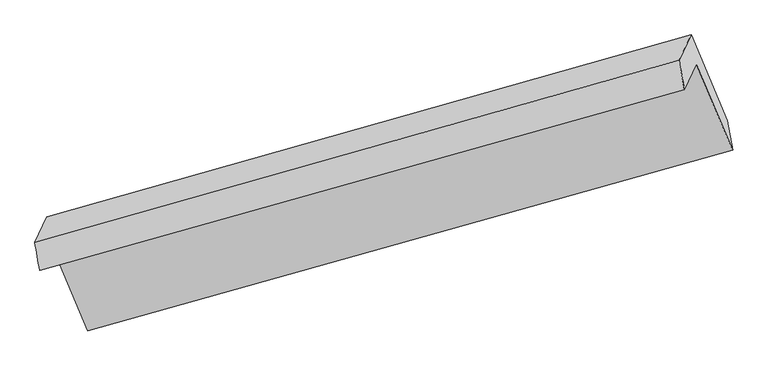
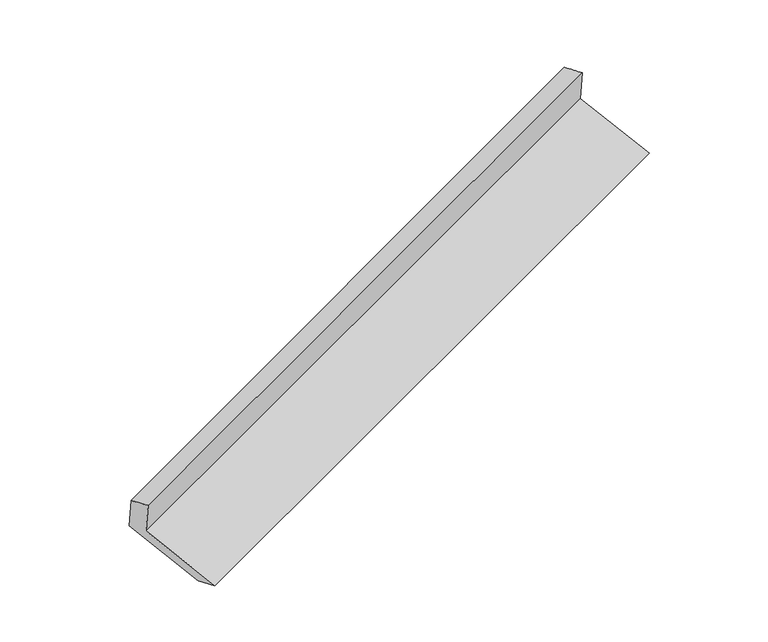
"""IFC4 building model written with IfcOpenShell, lengths in millimetres: proxy geometry."""

import ifcopenshell
import ifcopenshell.guid

model = None  # the IFC model being written
_history = None  # IfcOwnerHistory: only IFC2X3 demands one
_inside = {}  # id of a spatial element -> (the spatial element, [elements in it])
_under = {}  # id of a project, library or spatial element -> (it, [spatial elements below it])
_declared = {}  # id of a project -> (the project, [libraries it declares])
_typed = {}  # id of a type object -> (the type object, [elements of that type])
_made_of = {}  # id of a material, layer set ... -> (it, [elements and type objects made of it])


def new_model(schema):
    """Start an empty IFC model of exactly this schema.

    Asked for "IFC4X3", IfcOpenShell would pick the latest addendum, in which some entities
    have other attributes; the version numbers below select the first issue.
    IFC2X3 requires an IfcOwnerHistory on every rooted entity: one is made here for all.
    """
    global model, _history
    if schema == "IFC4X3":
        model = ifcopenshell.file(schema_version=(4, 3, 0, 0))
    else:
        model = ifcopenshell.file(schema=schema)
    _inside.clear()
    _under.clear()
    _declared.clear()
    _typed.clear()
    _made_of.clear()
    _history = None
    if model.schema == "IFC2X3":
        org = make("IfcOrganization", Name="unknown")
        user = make(
            "IfcPersonAndOrganization",
            ThePerson=make("IfcPerson", FamilyName="unknown"),
            TheOrganization=org,
        )
        app = make(
            "IfcApplication",
            ApplicationDeveloper=org,
            Version="unknown",
            ApplicationFullName="unknown",
            ApplicationIdentifier="unknown",
        )
        _history = make(
            "IfcOwnerHistory",
            OwningUser=user,
            OwningApplication=app,
            ChangeAction="ADDED",
            CreationDate=0,
        )
    return model


def make(cls, **values):
    """One entity of the class cls with the attributes given. An attribute that is None is left unset."""
    return model.create_entity(
        cls, **{name: value for name, value in values.items() if value is not None}
    )


def rooted(cls, **values):
    """An entity with a GlobalId (a new one), such as an element, a storey or a relation."""
    return make(cls, GlobalId=ifcopenshell.guid.new(), OwnerHistory=_history, **values)


def si_unit(unit_type, name, prefix=None):
    """IfcSIUnit, for example si_unit("LENGTHUNIT", "METRE", prefix="MILLI")."""
    return make("IfcSIUnit", UnitType=unit_type, Prefix=prefix, Name=name)


def assignment(units):
    """IfcUnitAssignment: the units of a project."""
    return None if units is None else make("IfcUnitAssignment", Units=units)


def point(xyz):
    """IfcCartesianPoint."""
    return None if xyz is None else make("IfcCartesianPoint", Coordinates=xyz)


def direction(xyz):
    """IfcDirection."""
    return None if xyz is None else make("IfcDirection", DirectionRatios=xyz)


def frame(location, z_axis=None, x_axis=None):
    """IfcAxis2Placement3D, a coordinate frame: its origin and axes. An axis left out is left unset."""
    return make(
        "IfcAxis2Placement3D",
        Location=point(location),
        Axis=direction(z_axis),
        RefDirection=direction(x_axis),
    )


def origin():
    """The frame at (0, 0, 0) with its axes left unset."""
    return frame((0.0, 0.0, 0.0))


def place(relative_to, where):
    """IfcLocalPlacement: puts the frame where relative to a parent placement (None: the world)."""
    return make(
        "IfcLocalPlacement", PlacementRelTo=relative_to, RelativePlacement=where
    )


def context(
    kind, dimensions, precision=None, world=None, true_north=None, identifier=None
):
    """IfcGeometricRepresentationContext, for example the 3D "Model" context."""
    return make(
        "IfcGeometricRepresentationContext",
        ContextIdentifier=identifier,
        ContextType=kind,
        CoordinateSpaceDimension=dimensions,
        Precision=precision,
        WorldCoordinateSystem=world,
        TrueNorth=true_north,
    )


def project(units=None, contexts=None):
    """IfcProject with its units and contexts."""
    return rooted(
        "IfcProject",
        Name="project",
        RepresentationContexts=contexts,
        UnitsInContext=assignment(units),
    )


def spatial(cls, under=None, at=None, **own):
    """A site, building, storey or space (cls), placed at a placement, below another one or the project."""
    s = rooted(cls, ObjectPlacement=at, **own)
    if under is not None:
        _under.setdefault(under.id(), (under, []))[1].append(s)
    return s


def shape(context_of_items, identifier, shape_type, items):
    """IfcShapeRepresentation: the items that make up one representation, for example the "Body"."""
    return make(
        "IfcShapeRepresentation",
        ContextOfItems=context_of_items,
        RepresentationIdentifier=identifier,
        RepresentationType=shape_type,
        Items=items,
    )


def source(mapping_origin, context_of_items, identifier, shape_type, items):
    """IfcRepresentationMap: a shape defined once, which mapped items show again and again."""
    return make(
        "IfcRepresentationMap",
        MappingOrigin=mapping_origin,
        MappedRepresentation=shape(context_of_items, identifier, shape_type, items),
    )


def transform(
    local_origin,
    x_axis=None,
    y_axis=None,
    z_axis=None,
    scale=None,
    scale2=None,
    scale3=None,
    uniform=True,
):
    """IfcCartesianTransformationOperator3D, or its non-uniform kind. x_axis, y_axis, z_axis: its Axis1, 2, 3."""
    if uniform:
        return make(
            "IfcCartesianTransformationOperator3D",
            Axis1=direction(x_axis),
            Axis2=direction(y_axis),
            LocalOrigin=point(local_origin),
            Scale=scale,
            Axis3=direction(z_axis),
        )
    return make(
        "IfcCartesianTransformationOperator3DnonUniform",
        Axis1=direction(x_axis),
        Axis2=direction(y_axis),
        LocalOrigin=point(local_origin),
        Scale=scale,
        Axis3=direction(z_axis),
        Scale2=scale2,
        Scale3=scale3,
    )


def mapped(mapping_source, mapping_target):
    """IfcMappedItem: shows the shape of a source again, moved by a transform."""
    return make(
        "IfcMappedItem", MappingSource=mapping_source, MappingTarget=mapping_target
    )


def made_of(thing, what):
    """Note that an element or type object is made of a material, layer set ...; save() writes the relation."""
    if what is not None:
        _made_of.setdefault(what.id(), (what, []))[1].append(thing)
    return thing


def element(
    cls,
    number,
    at=None,
    inside=None,
    cuts=None,
    type_object=None,
    material=None,
    context=None,
    identifier="Body",
    shape_type=None,
    held_by="IfcProductDefinitionShape",
    body=None,
    shapes=None,
    **own,
):
    """One element of the class cls, such as IfcWall. Its Tag is "e" and its number.

    at: its placement. inside: the storey or other place that contains it. cuts: it is an
    opening in that element (IfcRelVoidsElement). A single representation is given by context,
    identifier, shape_type and body (its items); several are given by shapes. held_by: the class
    of the entity that holds the representations. save() writes the other relations.
    """
    e = rooted(cls, Tag="e%d" % number, ObjectPlacement=at, **own)
    if body is not None:
        shapes = [shape(context, identifier, shape_type, body)]
    if shapes is not None:
        e.Representation = make(held_by, Representations=shapes)
    if inside is not None:
        _inside.setdefault(inside.id(), (inside, []))[1].append(e)
    if cuts is not None:
        rooted(
            "IfcRelVoidsElement", RelatingBuildingElement=cuts, RelatedOpeningElement=e
        )
    if type_object is not None:
        _typed.setdefault(type_object.id(), (type_object, []))[1].append(e)
    return made_of(e, material)


def aggregate(whole, parts):
    """IfcRelAggregates: a whole, such as a stair, and the parts it consists of."""
    return rooted("IfcRelAggregates", RelatingObject=whole, RelatedObjects=parts)


def save(model, path):
    """Write the relations noted so far, then the file.

    IfcRelAggregates (storeys below a building ...), IfcRelContainedInSpatialStructure (elements
    in a storey), IfcRelDefinesByType, IfcRelAssociatesMaterial and IfcRelDeclares: one each for
    every whole, place, type object, material and project.
    """
    for whole, parts in _under.values():
        aggregate(whole, parts)
    for where, things in _inside.values():
        rooted(
            "IfcRelContainedInSpatialStructure",
            RelatedElements=things,
            RelatingStructure=where,
        )
    for kind, things in _typed.values():
        rooted("IfcRelDefinesByType", RelatedObjects=things, RelatingType=kind)
    for what, things in _made_of.values():
        rooted("IfcRelAssociatesMaterial", RelatedObjects=things, RelatingMaterial=what)
    for by, libraries in _declared.values():
        rooted("IfcRelDeclares", RelatingContext=by, RelatedDefinitions=libraries)
    model.write(path)


def plane_surface(at):
    """IfcPlane: the flat surface through the origin of the frame at, square to its z axis."""
    return make("IfcPlane", Position=at)


def spline_surface(u_degree, v_degree, points, u_multiplicities, v_multiplicities, u_knots, v_knots, weights=None):
    """IfcBSplineSurfaceWithKnots; with weights, IfcRationalBSplineSurfaceWithKnots. points: one row for each step in u."""
    own = dict(
        UDegree=u_degree,
        VDegree=v_degree,
        ControlPointsList=[[point(p) for p in row] for row in points],
        SurfaceForm="UNSPECIFIED",
        UClosed=False,
        VClosed=False,
        SelfIntersect=False,
        UMultiplicities=u_multiplicities,
        VMultiplicities=v_multiplicities,
        UKnots=u_knots,
        VKnots=v_knots,
        KnotSpec="UNSPECIFIED",
    )
    if weights is None:
        return make("IfcBSplineSurfaceWithKnots", **own)
    return make("IfcRationalBSplineSurfaceWithKnots", WeightsData=weights, **own)


def advanced_brep(points, edges, surfaces, faces):
    """IfcAdvancedBrep: a solid bounded by faces that lie on surfaces and meet in shared edges.

    An edge is (start, end): straight between two places in points (the first is 0);
    or (start, end, curve); or (start, end, curve, False) where it runs against its curve.
    A face is (place in surfaces, loops), or (place, loops, False) where it looks against
    its surface's normal. A loop lists edges by number (the first is 1), with a minus sign
    where the edge is run from its end to its start. The first loop is the outer one.
    """
    corners = [point(p) for p in points]
    vertices = [make("IfcVertexPoint", VertexGeometry=c) for c in corners]
    made = []
    for start, end, *more in edges:
        made.append(
            make(
                "IfcEdgeCurve",
                EdgeStart=vertices[start],
                EdgeEnd=vertices[end],
                EdgeGeometry=more[0] if more else make("IfcPolyline", Points=[corners[start], corners[end]]),
                SameSense=more[1] if len(more) > 1 else True,
            )
        )
    hull = []
    for where, loops, *sense in faces:
        bounds = []
        for j, loop in enumerate(loops):
            ring = [make("IfcOrientedEdge", EdgeElement=made[abs(k) - 1], Orientation=k > 0) for k in loop]
            bounds.append(
                make(
                    "IfcFaceOuterBound" if j == 0 else "IfcFaceBound",
                    Bound=make("IfcEdgeLoop", EdgeList=ring),
                    Orientation=True,
                )
            )
        hull.append(make("IfcAdvancedFace", Bounds=bounds, FaceSurface=surfaces[where], SameSense=sense[0] if sense else True))
    return make("IfcAdvancedBrep", Outer=make("IfcClosedShell", CfsFaces=hull))


def generic_models_f1f5bff5(model_context):
    return source(origin(), model_context, "Body", "AdvancedBrep", [
        advanced_brep(
        [(-5123.9354879, -2125.973503, 1487.0871058), (-5043.863346, -1957.1705086, 1133.0024777), (-752.2946068, -752.2673653, 2689.2120349), (-832.3667488, -921.0703596, 3043.296663), (-5155.269403, -1938.8144236, 1426.7876209), (-867.3667851, -725.2182333, 2986.3123691), (-5075.197261, -1770.0114292, 1072.7029928), (-787.2946431, -556.415239, 2632.227741), (-4834.1955169, -2341.4708309, 854.7705379), (-546.292899, -1127.8746406, 2414.295286), (-4802.8616018, -2528.6299103, 915.0700227), (-511.2928627, -1323.7267669, 2471.2795799)],
        [
            (0, 1),
            (1, 2),
            (2, 3),
            (3, 0),
            (4, 0),
            (3, 5),
            (5, 4),
            (6, 4),
            (5, 7),
            (7, 6),
            (8, 6),
            (7, 9),
            (9, 8),
            (10, 8),
            (9, 11),
            (11, 10),
            (1, 10),
            (11, 2),
        ],
        [
            plane_surface(frame((-5083.899417, -2041.5720058, 1310.0447917), z_axis=(0.3646868022924256, -0.8698490618041697, -0.33221400619499974), x_axis=(0.20000422708380464, 0.4216361842989114, -0.8844327205833491))),
            spline_surface(1, 1, [[(-5155.269403, -1938.8144236, 1426.7876209), (-867.3667851, -725.2182333, 2986.3123691)], [(-5123.9354879, -2125.973503, 1487.0871058), (-832.3667488, -921.0703596, 3043.296663)]], [2, 2], [2, 2], [0.0, 1.0], [0.0, 1.0]),
            plane_surface(frame((-5115.233332, -1854.4129264, 1249.7453069), z_axis=(-0.3666121251834506, 0.8693046867342787, 0.3315190964187309), x_axis=(-0.200004227083763, -0.4216361842989162, 0.8844327205833562))),
            plane_surface(frame((-4954.696389, -2055.7411301, 963.7367653), z_axis=(0.20192827902260635, 0.4221815635143241, -0.8837350833590173), x_axis=(-0.3666121251834478, 0.8693046867342867, 0.33151909641871247))),
            spline_surface(1, 1, [[(-4802.8616018, -2528.6299103, 915.0700227), (-511.2928627, -1323.7267669, 2471.2795799)], [(-4834.1955169, -2341.4708309, 854.7705379), (-546.292899, -1127.8746406, 2414.295286)]], [2, 2], [2, 2], [0.0, 1.0], [0.0, 1.0]),
            plane_surface(frame((-4923.3624739, -2242.9002095, 1024.0362502), z_axis=(-0.20192827902260574, -0.42218156351432645, 0.8837350833590164), x_axis=(0.36661212518344527, -0.8693046867342865, -0.33151909641871585))),
            plane_surface(frame((-716.1514243, -901.0954341, 2706.1039456), z_axis=(0.9086219559404778, 0.2579385386321107, 0.3284415495506493), x_axis=(-0.3666121251834478, 0.8693046867342867, 0.33151909641871247))),
            plane_surface(frame((-5005.8871028, -2110.3451009, 1148.236793), z_axis=(-0.9086219559405155, -0.25793853863198435, -0.32844154955064414), x_axis=(-0.20000422708380647, -0.42163618429891236, 0.8844327205833482))),
        ],
        [
            (0, [[1, 2, 3, 4]]),
            (1, [[5, -4, 6, 7]]),
            (2, [[8, -7, 9, 10]]),
            (3, [[11, -10, 12, 13]]),
            (4, [[14, -13, 15, 16]]),
            (5, [[17, -16, 18, -2]]),
            (6, [[-12, -9, -6, -3, -18, -15]]),
            (7, [[-1, -5, -8, -11, -14, -17]]),
        ],
    ),
    ])


if __name__ == "__main__":
    model = new_model("IFC4")
    model_context = context("Model", 3, world=origin())
    ifc_project = project(units=[si_unit("LENGTHUNIT", "METRE", prefix="MILLI")], contexts=[model_context])
    site = spatial("IfcSite", under=ifc_project)
    building = spatial("IfcBuilding", under=site)
    placement = place(None, origin())
    generic_models_shape = generic_models_f1f5bff5(model_context)
    element("IfcBuildingElementProxy", 1, Name="Generic Models", at=placement, inside=building, context=model_context, shape_type="MappedRepresentation", body=[
        mapped(generic_models_shape, transform((0.0, 0.0, 0.0), x_axis=(1.0, 0.0, 0.0), y_axis=(0.0, 1.0, 0.0), z_axis=(0.0, 0.0, 1.0))),
    ])
    save(model, "model.ifc")
